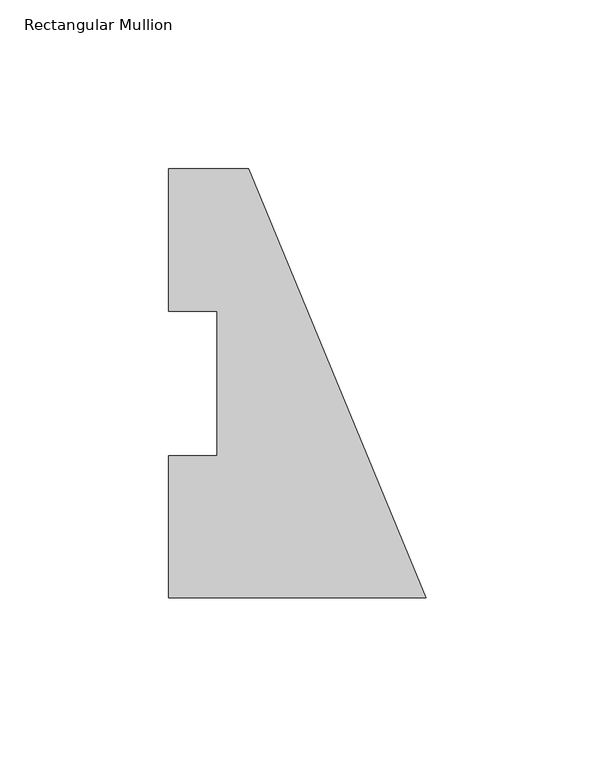
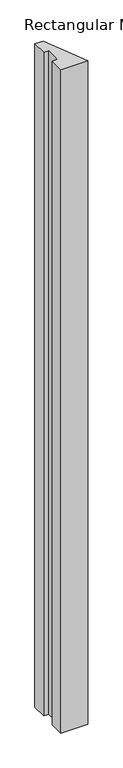
"""IFC4 building model written with IfcOpenShell, lengths in millimetres: member geometry, Rectangular Mullion."""

import ifcopenshell
import ifcopenshell.guid

model = None  # the IFC model being written
_history = None  # IfcOwnerHistory: only IFC2X3 demands one
_inside = {}  # id of a spatial element -> (the spatial element, [elements in it])
_under = {}  # id of a project, library or spatial element -> (it, [spatial elements below it])
_declared = {}  # id of a project -> (the project, [libraries it declares])
_typed = {}  # id of a type object -> (the type object, [elements of that type])
_made_of = {}  # id of a material, layer set ... -> (it, [elements and type objects made of it])


def new_model(schema):
    """Start an empty IFC model of exactly this schema.

    Asked for "IFC4X3", IfcOpenShell would pick the latest addendum, in which some entities
    have other attributes; the version numbers below select the first issue.
    IFC2X3 requires an IfcOwnerHistory on every rooted entity: one is made here for all.
    """
    global model, _history
    if schema == "IFC4X3":
        model = ifcopenshell.file(schema_version=(4, 3, 0, 0))
    else:
        model = ifcopenshell.file(schema=schema)
    _inside.clear()
    _under.clear()
    _declared.clear()
    _typed.clear()
    _made_of.clear()
    _history = None
    if model.schema == "IFC2X3":
        org = make("IfcOrganization", Name="unknown")
        user = make(
            "IfcPersonAndOrganization",
            ThePerson=make("IfcPerson", FamilyName="unknown"),
            TheOrganization=org,
        )
        app = make(
            "IfcApplication",
            ApplicationDeveloper=org,
            Version="unknown",
            ApplicationFullName="unknown",
            ApplicationIdentifier="unknown",
        )
        _history = make(
            "IfcOwnerHistory",
            OwningUser=user,
            OwningApplication=app,
            ChangeAction="ADDED",
            CreationDate=0,
        )
    return model


def make(cls, **values):
    """One entity of the class cls with the attributes given. An attribute that is None is left unset."""
    return model.create_entity(
        cls, **{name: value for name, value in values.items() if value is not None}
    )


def rooted(cls, **values):
    """An entity with a GlobalId (a new one), such as an element, a storey or a relation."""
    return make(cls, GlobalId=ifcopenshell.guid.new(), OwnerHistory=_history, **values)


def si_unit(unit_type, name, prefix=None):
    """IfcSIUnit, for example si_unit("LENGTHUNIT", "METRE", prefix="MILLI")."""
    return make("IfcSIUnit", UnitType=unit_type, Prefix=prefix, Name=name)


def assignment(units):
    """IfcUnitAssignment: the units of a project."""
    return None if units is None else make("IfcUnitAssignment", Units=units)


def point(xyz):
    """IfcCartesianPoint."""
    return None if xyz is None else make("IfcCartesianPoint", Coordinates=xyz)


def direction(xyz):
    """IfcDirection."""
    return None if xyz is None else make("IfcDirection", DirectionRatios=xyz)


def frame(location, z_axis=None, x_axis=None):
    """IfcAxis2Placement3D, a coordinate frame: its origin and axes. An axis left out is left unset."""
    return make(
        "IfcAxis2Placement3D",
        Location=point(location),
        Axis=direction(z_axis),
        RefDirection=direction(x_axis),
    )


def origin():
    """The frame at (0, 0, 0) with its axes left unset."""
    return frame((0.0, 0.0, 0.0))


def place(relative_to, where):
    """IfcLocalPlacement: puts the frame where relative to a parent placement (None: the world)."""
    return make(
        "IfcLocalPlacement", PlacementRelTo=relative_to, RelativePlacement=where
    )


def context(
    kind, dimensions, precision=None, world=None, true_north=None, identifier=None
):
    """IfcGeometricRepresentationContext, for example the 3D "Model" context."""
    return make(
        "IfcGeometricRepresentationContext",
        ContextIdentifier=identifier,
        ContextType=kind,
        CoordinateSpaceDimension=dimensions,
        Precision=precision,
        WorldCoordinateSystem=world,
        TrueNorth=true_north,
    )


def project(units=None, contexts=None):
    """IfcProject with its units and contexts."""
    return rooted(
        "IfcProject",
        Name="project",
        RepresentationContexts=contexts,
        UnitsInContext=assignment(units),
    )


def spatial(cls, under=None, at=None, **own):
    """A site, building, storey or space (cls), placed at a placement, below another one or the project."""
    s = rooted(cls, ObjectPlacement=at, **own)
    if under is not None:
        _under.setdefault(under.id(), (under, []))[1].append(s)
    return s


def polyline(points):
    """IfcPolyline through the points."""
    return make("IfcPolyline", Points=[point(p) for p in points])


def outline(outer, holes=None, kind="AREA"):
    """IfcArbitraryClosedProfileDef: a profile drawn as a closed curve; with holes, ...WithVoids."""
    if holes is None:
        return make("IfcArbitraryClosedProfileDef", ProfileType=kind, OuterCurve=outer)
    return make(
        "IfcArbitraryProfileDefWithVoids",
        ProfileType=kind,
        OuterCurve=outer,
        InnerCurves=holes,
    )


def extrude(swept, where, along, depth):
    """IfcExtrudedAreaSolid: the profile swept, set in the frame where, extruded along a direction by depth."""
    return make(
        "IfcExtrudedAreaSolid",
        SweptArea=swept,
        Position=where,
        ExtrudedDirection=direction(along),
        Depth=depth,
    )


def shape(context_of_items, identifier, shape_type, items):
    """IfcShapeRepresentation: the items that make up one representation, for example the "Body"."""
    return make(
        "IfcShapeRepresentation",
        ContextOfItems=context_of_items,
        RepresentationIdentifier=identifier,
        RepresentationType=shape_type,
        Items=items,
    )


def source(mapping_origin, context_of_items, identifier, shape_type, items):
    """IfcRepresentationMap: a shape defined once, which mapped items show again and again."""
    return make(
        "IfcRepresentationMap",
        MappingOrigin=mapping_origin,
        MappedRepresentation=shape(context_of_items, identifier, shape_type, items),
    )


def transform(
    local_origin,
    x_axis=None,
    y_axis=None,
    z_axis=None,
    scale=None,
    scale2=None,
    scale3=None,
    uniform=True,
):
    """IfcCartesianTransformationOperator3D, or its non-uniform kind. x_axis, y_axis, z_axis: its Axis1, 2, 3."""
    if uniform:
        return make(
            "IfcCartesianTransformationOperator3D",
            Axis1=direction(x_axis),
            Axis2=direction(y_axis),
            LocalOrigin=point(local_origin),
            Scale=scale,
            Axis3=direction(z_axis),
        )
    return make(
        "IfcCartesianTransformationOperator3DnonUniform",
        Axis1=direction(x_axis),
        Axis2=direction(y_axis),
        LocalOrigin=point(local_origin),
        Scale=scale,
        Axis3=direction(z_axis),
        Scale2=scale2,
        Scale3=scale3,
    )


def mapped(mapping_source, mapping_target):
    """IfcMappedItem: shows the shape of a source again, moved by a transform."""
    return make(
        "IfcMappedItem", MappingSource=mapping_source, MappingTarget=mapping_target
    )


def made_of(thing, what):
    """Note that an element or type object is made of a material, layer set ...; save() writes the relation."""
    if what is not None:
        _made_of.setdefault(what.id(), (what, []))[1].append(thing)
    return thing


def element(
    cls,
    number,
    at=None,
    inside=None,
    cuts=None,
    type_object=None,
    material=None,
    context=None,
    identifier="Body",
    shape_type=None,
    held_by="IfcProductDefinitionShape",
    body=None,
    shapes=None,
    **own,
):
    """One element of the class cls, such as IfcWall. Its Tag is "e" and its number.

    at: its placement. inside: the storey or other place that contains it. cuts: it is an
    opening in that element (IfcRelVoidsElement). A single representation is given by context,
    identifier, shape_type and body (its items); several are given by shapes. held_by: the class
    of the entity that holds the representations. save() writes the other relations.
    """
    e = rooted(cls, Tag="e%d" % number, ObjectPlacement=at, **own)
    if body is not None:
        shapes = [shape(context, identifier, shape_type, body)]
    if shapes is not None:
        e.Representation = make(held_by, Representations=shapes)
    if inside is not None:
        _inside.setdefault(inside.id(), (inside, []))[1].append(e)
    if cuts is not None:
        rooted(
            "IfcRelVoidsElement", RelatingBuildingElement=cuts, RelatedOpeningElement=e
        )
    if type_object is not None:
        _typed.setdefault(type_object.id(), (type_object, []))[1].append(e)
    return made_of(e, material)


def aggregate(whole, parts):
    """IfcRelAggregates: a whole, such as a stair, and the parts it consists of."""
    return rooted("IfcRelAggregates", RelatingObject=whole, RelatedObjects=parts)


def save(model, path):
    """Write the relations noted so far, then the file.

    IfcRelAggregates (storeys below a building ...), IfcRelContainedInSpatialStructure (elements
    in a storey), IfcRelDefinesByType, IfcRelAssociatesMaterial and IfcRelDeclares: one each for
    every whole, place, type object, material and project.
    """
    for whole, parts in _under.values():
        aggregate(whole, parts)
    for where, things in _inside.values():
        rooted(
            "IfcRelContainedInSpatialStructure",
            RelatedElements=things,
            RelatingStructure=where,
        )
    for kind, things in _typed.values():
        rooted("IfcRelDefinesByType", RelatedObjects=things, RelatingType=kind)
    for what, things in _made_of.values():
        rooted("IfcRelAssociatesMaterial", RelatedObjects=things, RelatingMaterial=what)
    for by, libraries in _declared.values():
        rooted("IfcRelDeclares", RelatingContext=by, RelatedDefinitions=libraries)
    model.write(path)


def rectangular_mullion_8beb2c0a(model_context):
    return source(origin(), model_context, "Body", "SweptSolid", [
        extrude(outline(polyline([(-76.2, 0.00635), (-76.2, 42.08145), (-61.9125, 42.08145), (-61.9125, 84.93125), (-76.2, 84.93125), (-76.2, 127.00635), (-52.6051224, 127.00635), (0.0, 0.00635), (-76.2, 0.00635)])), frame((0.0, 0.0, -1981.2227299), z_axis=(0.0, 0.0, 1.0), x_axis=(1.0, 0.0, 0.0)), (0.0, 0.0, 1.0), 1981.2227299),
    ])


if __name__ == "__main__":
    model = new_model("IFC4")
    model_context = context("Model", 3, world=origin())
    ifc_project = project(units=[si_unit("LENGTHUNIT", "METRE", prefix="MILLI")], contexts=[model_context])
    site = spatial("IfcSite", under=ifc_project)
    building = spatial("IfcBuilding", under=site)
    placement = place(None, origin())
    rectangular_mullion_shape = rectangular_mullion_8beb2c0a(model_context)
    element("IfcMember", 1, ObjectType="Rectangular Mullion", at=placement, inside=building, context=model_context, shape_type="MappedRepresentation", body=[
        mapped(rectangular_mullion_shape, transform((0.0, 0.0, 0.0), x_axis=(1.0, 0.0, 0.0), y_axis=(0.0, 1.0, 0.0), z_axis=(0.0, 0.0, 1.0))),
    ])
    save(model, "model.ifc")
